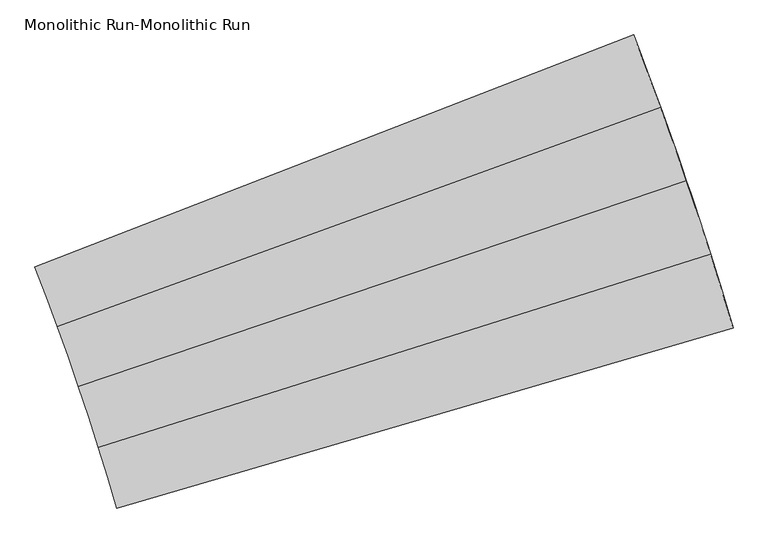
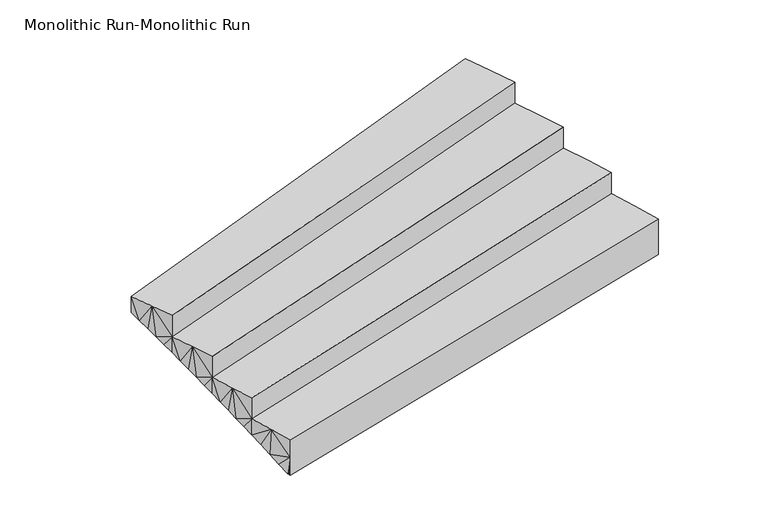
"""IFC4 building model written with IfcOpenShell, lengths in millimetres: stair geometry, Monolithic Run-Monolithic Run."""

from ifc_helpers import new_model, si_unit, origin, place, context, project, spatial, faceted_brep, source, transform, mapped, element, save


def monolithic_run_monolithic_run_fb8c1c58(model_context):
    return source(origin(), model_context, "Body", "Brep", [
        faceted_brep([(3212.2493156, 1017.6761846, 870.8571429), (3158.6497946, 1190.5268219, 870.8571429), (298.0219718, 286.7522597, 870.8571429), (342.1627538, 144.404676, 870.8571429), (384.7857217, 1.5952722, 870.8571429), (3264.0057766, 844.2647657, 870.8571429), (298.0219718, 286.7522597, 761.6124477), (318.8752589, 220.1703168, 727.6379083), (339.3964666, 153.4852756, 693.6633689), (384.7857217, 1.5952722, 748.2857143), (382.116257, 10.7048005, 625.7142857), (384.7857217, 1.5952722, 625.7142857), (359.5850856, 86.6987917, 659.6888293), (379.4406163, 19.8125167, 625.7142857), (3264.0057766, 844.2647657, 625.7142857), (3264.0057766, 844.2647657, 748.2856874), (3257.5152916, 866.3857054, 625.7142857), (3238.2594431, 931.3705569, 652.8939139), (3260.7642838, 855.3263358, 625.7142857), (3218.7446547, 996.2781329, 680.0735474), (3198.9712402, 1061.1073892, 707.2531808), (3178.9395141, 1125.8572953, 734.4328143), (3158.6497946, 1190.5268219, 761.6124477), (3103.2132877, 1362.7970897, 1016.0), (3045.9460772, 1534.4674659, 1016.0), (205.2071457, 569.9974959, 1016.0), (252.3683779, 428.621892, 1016.0), (298.0219718, 286.7522597, 1016.0), (3158.6497946, 1190.5268219, 1016.0), (224.2522126, 513.5075772, 877.72674), (205.2071457, 569.9974959, 906.7553049), (243.0565708, 456.9370582, 848.698167), (261.6198737, 400.2869806, 819.6695939), (279.9417847, 343.5583715, 790.6410208), (3140.3747623, 1248.0156962, 785.8029242), (3103.213287, 1362.7970921, 834.1838773), (3121.8958489, 1305.4393606, 809.9934008), (3084.3273118, 1420.0881684, 858.3743538), (3065.2381612, 1477.3118681, 882.5648304), (3045.9460772, 1534.4674659, 906.7553049), (2986.8546527, 1705.5184963, 1161.1428571), (2925.9457105, 1875.9307969, 1161.1428571), (106.3833143, 851.2025921, 1161.1428571), (156.5436196, 710.8630503, 1161.1428571), (205.2071457, 569.9974959, 1161.1428571), (3045.9460772, 1534.4674659, 1161.1428571), (126.6266853, 795.1309289, 1022.8695972), (106.3833143, 851.2025921, 1051.898162), (146.631118, 738.9735591, 993.8410241), (166.3962438, 682.7315169, 964.812451), (185.9217044, 626.4058221, 935.7838779), (3026.4512994, 1591.5542517, 930.9457814), (2986.8546518, 1705.5184987, 979.3267344), (3006.754075, 1648.5715019, 955.1362579), (2966.7532806, 1762.3945248, 1003.517211), (2946.4502143, 1819.1988643, 1027.7076875), (2925.9457105, 1875.9307969, 1051.898162), (2863.2261531, 2045.6850563, 1306.2857143), (2798.703088, 2214.7620374, 1306.2857143), (1.5952722, 1130.2400842, 1306.2857143), (54.7319141, 991.0002174, 1306.2857143), (106.3833143, 851.2025921, 1306.2857143), (2925.9457105, 1875.9307969, 1306.2857143), (23.0277715, 1074.6120925, 1168.0124543), (1.5952722, 1130.2400842, 1197.0410191), (44.2232112, 1018.8933269, 1138.9838812), (65.1812008, 963.0848134, 1109.9553082), (85.9013604, 907.1875639, 1080.9267351), (2905.2400238, 1932.5896181, 1076.0886385), (2863.2261522, 2045.6850587, 1124.4695916), (2884.3334166, 1989.1746095, 1100.2791151), (2841.9184964, 2102.1202541, 1148.6600681), (2820.4107174, 2158.4794851, 1172.8505447), (2798.703088, 2214.7620374, 1197.0410191), (2177.1235734, 1973.7571589, 1197.0410191), (1866.3338161, 1853.2547197, 1197.0410191), (1555.5440588, 1732.7522804, 1197.0410191), (1244.7543015, 1612.2498412, 1197.0410191), (933.9645442, 1491.7474019, 1197.0410191), (623.1747869, 1371.2449627, 1197.0410191), (1019.0127664, 207.9398919, 625.7142857), (1547.173441, 1287.0373661, 1015.6124519), (1720.0278979, 764.8551321, 773.7076976), (1338.7988414, 302.0035796, 625.7142857), (2298.1570665, 584.1946425, 625.7142857), (1634.394651, 1026.1840688, 894.660073), (2617.9431415, 678.2583301, 625.7142857)], [[[0, 1, 2, 3, 4, 5]], [[6, 3, 2]], [[3, 6, 7]], [[3, 7, 8]], [[3, 9, 4]], [[10, 11, 9]], [[9, 3, 8]], [[12, 13, 9]], [[13, 10, 9]], [[12, 9, 8]], [[4, 9, 11, 14, 15, 5]], [[16, 17, 15]], [[14, 18, 15]], [[18, 16, 15]], [[19, 0, 15]], [[19, 15, 17]], [[20, 21, 0]], [[19, 20, 0]], [[21, 1, 0]], [[1, 21, 22]], [[0, 5, 15]], [[23, 24, 25, 26, 27, 28]], [[29, 26, 25]], [[25, 30, 29]], [[26, 29, 31]], [[31, 32, 26]], [[26, 32, 2]], [[2, 32, 33]], [[2, 33, 6]], [[27, 26, 2]], [[28, 27, 2, 1]], [[22, 34, 1]], [[23, 28, 1, 35]], [[36, 1, 34]], [[35, 1, 36]], [[37, 38, 23]], [[35, 37, 23]], [[38, 24, 23]], [[24, 38, 39]], [[40, 41, 42, 43, 44, 45]], [[46, 43, 42]], [[42, 47, 46]], [[43, 46, 48]], [[48, 49, 43]], [[43, 49, 25]], [[25, 49, 50]], [[25, 50, 30]], [[44, 43, 25]], [[45, 44, 25, 24]], [[39, 51, 24]], [[40, 45, 24, 52]], [[53, 24, 51]], [[52, 24, 53]], [[54, 55, 40]], [[52, 54, 40]], [[55, 41, 40]], [[41, 55, 56]], [[57, 58, 59, 60, 61, 62]], [[63, 60, 59]], [[59, 64, 63]], [[60, 63, 65]], [[65, 66, 60]], [[60, 66, 42]], [[42, 66, 67]], [[42, 67, 47]], [[61, 60, 42]], [[62, 61, 42, 41]], [[56, 68, 41]], [[57, 62, 41, 69]], [[70, 41, 68]], [[69, 41, 70]], [[71, 72, 57]], [[69, 71, 57]], [[72, 58, 57]], [[58, 72, 73]], [[58, 73, 74, 75, 76, 77, 78, 79, 64, 59]], [[13, 12, 80]], [[47, 81, 46]], [[82, 83, 8]], [[83, 80, 8]], [[83, 82, 84]], [[12, 8, 80]], [[31, 82, 32]], [[85, 31, 29]], [[82, 31, 85]], [[82, 34, 22]], [[7, 6, 82]], [[8, 7, 82]], [[29, 30, 85]], [[17, 16, 86]], [[19, 86, 84]], [[38, 37, 85]], [[6, 33, 82]], [[20, 19, 84]], [[17, 86, 19]], [[82, 33, 32]], [[20, 84, 82]], [[82, 22, 21]], [[82, 21, 20]], [[85, 30, 50]], [[36, 34, 82]], [[36, 82, 35]], [[35, 82, 85]], [[35, 85, 37]], [[85, 39, 38]], [[51, 39, 85]], [[47, 67, 81]], [[67, 66, 81]], [[48, 81, 49]], [[81, 85, 49]], [[46, 81, 48]], [[66, 77, 81]], [[79, 65, 63]], [[64, 79, 63]], [[54, 52, 81]], [[77, 66, 78]], [[78, 65, 79]], [[81, 77, 76]], [[66, 65, 78]], [[76, 70, 81]], [[53, 85, 81]], [[52, 53, 81]], [[54, 81, 55]], [[81, 56, 55]], [[68, 56, 81]], [[51, 85, 53]], [[70, 76, 69]], [[68, 81, 70]], [[71, 75, 74]], [[72, 74, 73]], [[69, 75, 71]], [[71, 74, 72]], [[75, 69, 76]], [[50, 49, 85]], [[11, 10, 13, 80, 83, 84, 86, 16, 18, 14]]]),
    ])


if __name__ == "__main__":
    model = new_model("IFC4")
    model_context = context("Model", 3, world=origin())
    ifc_project = project(units=[si_unit("LENGTHUNIT", "METRE", prefix="MILLI")], contexts=[model_context])
    site = spatial("IfcSite", under=ifc_project)
    building = spatial("IfcBuilding", under=site)
    placement = place(None, origin())
    monolithic_run_monolithic_run_shape = monolithic_run_monolithic_run_fb8c1c58(model_context)
    element("IfcStair", 1, ObjectType="Monolithic Run-Monolithic Run", at=placement, inside=building, context=model_context, shape_type="MappedRepresentation", body=[
        mapped(monolithic_run_monolithic_run_shape, transform((0.0, 0.0, 0.0), x_axis=(1.0, 0.0, 0.0), y_axis=(0.0, 1.0, 0.0), z_axis=(0.0, 0.0, 1.0))),
    ])
    save(model, "model.ifc")
